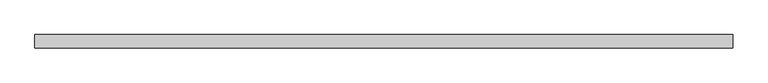
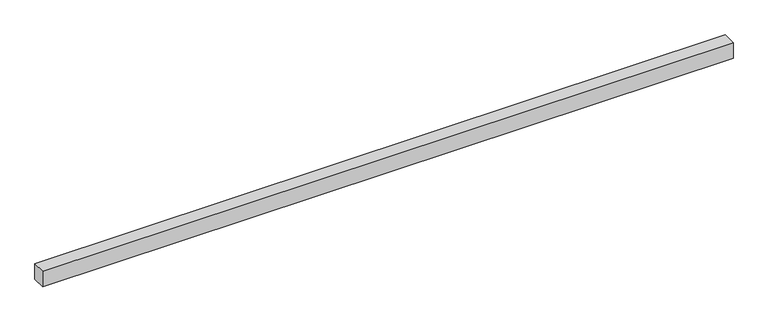
"""IFC4 building model written with IfcOpenShell, lengths in millimetres: proxy geometry."""

from ifc_helpers import new_model, si_unit, frame, origin, place, context, project, spatial, polyline, outline, extrude, source, transform, mapped, element, save


def generic_models_432f0a34(model_context):
    return source(origin(), model_context, "Body", "SweptSolid", [
        extrude(outline(polyline([(40.0, 0.0), (-40.0, 0.0), (-40.0, 4156.6105079), (40.0, 4156.6105079), (40.0, 0.0)])), frame((4156.6105079, 0.0, 0.0), z_axis=(0.0, -1.9783474858313244e-12, 1.0), x_axis=(0.0, 1.0, 1.9783474858313244e-12)), (0.0, 0.0, 1.0), 100.0),
    ])


if __name__ == "__main__":
    model = new_model("IFC4")
    model_context = context("Model", 3, world=origin())
    ifc_project = project(units=[si_unit("LENGTHUNIT", "METRE", prefix="MILLI")], contexts=[model_context])
    site = spatial("IfcSite", under=ifc_project)
    building = spatial("IfcBuilding", under=site)
    placement = place(None, origin())
    generic_models_shape = generic_models_432f0a34(model_context)
    element("IfcBuildingElementProxy", 1, Name="Generic Models", at=placement, inside=building, context=model_context, shape_type="MappedRepresentation", body=[
        mapped(generic_models_shape, transform((0.0, 0.0, 0.0), x_axis=(1.0, 0.0, 0.0), y_axis=(0.0, 1.0, 0.0), z_axis=(0.0, 0.0, 1.0))),
    ])
    save(model, "model.ifc")
